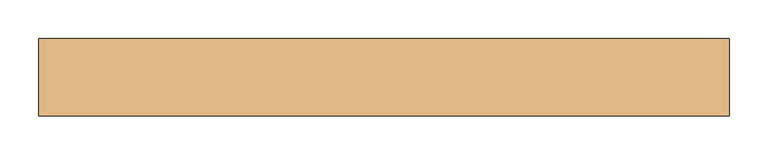
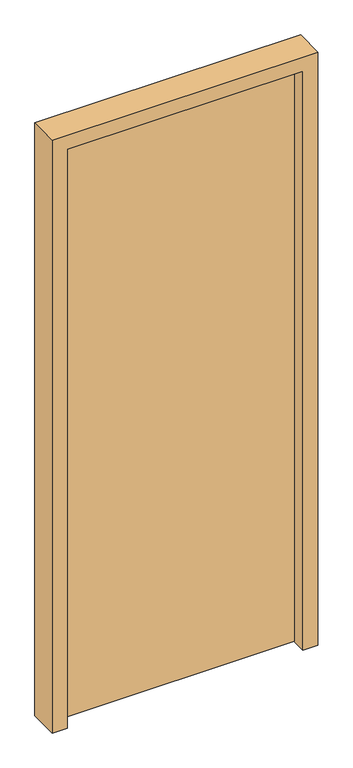
"""IFC4 building model written with IfcOpenShell, lengths in millimetres: door geometry."""

from ifc_helpers import new_model, si_unit, frame, origin, origin_with_axes, place, context, project, spatial, polyline, outline, extrude, source, transform, mapped, element, save


def door_2d09e85e(model_context):
    return source(origin(), model_context, "Body", "SweptSolid", [
        extrude(outline(polyline([(-395.0, 90.0), (395.0, 90.0), (395.0, 40.0), (-395.0, 40.0), (-395.0, 90.0)])), origin_with_axes(), (0.0, 0.0, 1.0), 2050.0),
        extrude(outline(polyline([(0.0, -445.0), (0.0, -395.0), (2050.0, -395.0), (2050.0, 395.0), (0.0, 395.0), (0.0, 445.0), (2100.0, 445.0), (2100.0, -445.0), (0.0, -445.0)])), frame((0.0, -10.0, 0.0), z_axis=(0.0, 1.0, 0.0), x_axis=(0.0, 0.0, 1.0)), (0.0, 0.0, 1.0), 100.0),
    ])


if __name__ == "__main__":
    model = new_model("IFC4")
    model_context = context("Model", 3, world=origin())
    ifc_project = project(units=[si_unit("LENGTHUNIT", "METRE", prefix="MILLI")], contexts=[model_context])
    site = spatial("IfcSite", under=ifc_project)
    building = spatial("IfcBuilding", under=site)
    placement = place(None, origin())
    door_shape = door_2d09e85e(model_context)
    element("IfcDoor", 1, at=placement, inside=building, context=model_context, shape_type="MappedRepresentation", body=[
        mapped(door_shape, transform((0.0, 0.0, 0.0), x_axis=(1.0, 0.0, 0.0), y_axis=(0.0, 1.0, 0.0), z_axis=(0.0, 0.0, 1.0))),
    ])
    save(model, "model.ifc")
